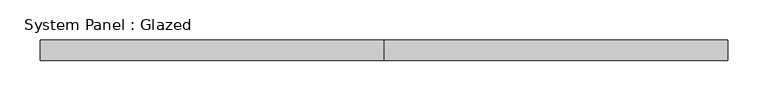
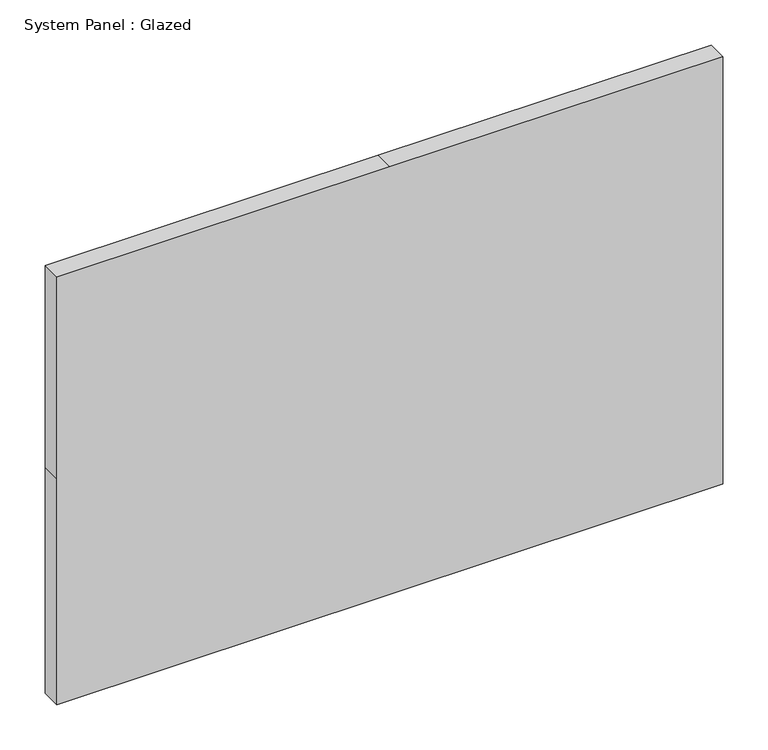
"""IFC4 building model written with IfcOpenShell, lengths in millimetres: plate geometry, System Panel : Glazed."""

from ifc_helpers import new_model, si_unit, frame, origin, place, context, project, spatial, polyline, outline, extrude, source, transform, mapped, element, save


def system_panel_glazed_a9e00917(model_context):
    return source(origin(), model_context, "Body", "SweptSolid", [
        extrude(outline(polyline([(0.0, -425.45), (0.0, 0.0), (0.0, 425.45), (304.8, 425.45), (577.85, 425.45), (577.85, 0.0), (577.85, -425.45), (304.8, -425.45), (0.0, -425.45)])), frame((0.0, 19.05, 0.0), z_axis=(0.0, 1.0, 0.0), x_axis=(0.0, 0.0, 1.0)), (0.0, 0.0, 1.0), 25.4),
    ])


if __name__ == "__main__":
    model = new_model("IFC4")
    model_context = context("Model", 3, world=origin())
    ifc_project = project(units=[si_unit("LENGTHUNIT", "METRE", prefix="MILLI")], contexts=[model_context])
    site = spatial("IfcSite", under=ifc_project)
    building = spatial("IfcBuilding", under=site)
    placement = place(None, origin())
    system_panel_glazed_shape = system_panel_glazed_a9e00917(model_context)
    element("IfcPlate", 1, ObjectType="System Panel : Glazed", at=placement, inside=building, context=model_context, shape_type="MappedRepresentation", body=[
        mapped(system_panel_glazed_shape, transform((0.0, 0.0, 0.0), x_axis=(1.0, 0.0, 0.0), y_axis=(0.0, 1.0, 0.0), z_axis=(0.0, 0.0, 1.0))),
    ])
    save(model, "model.ifc")
